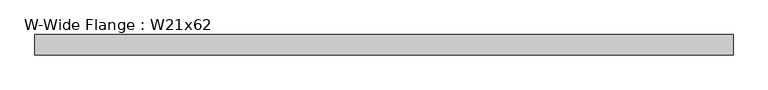
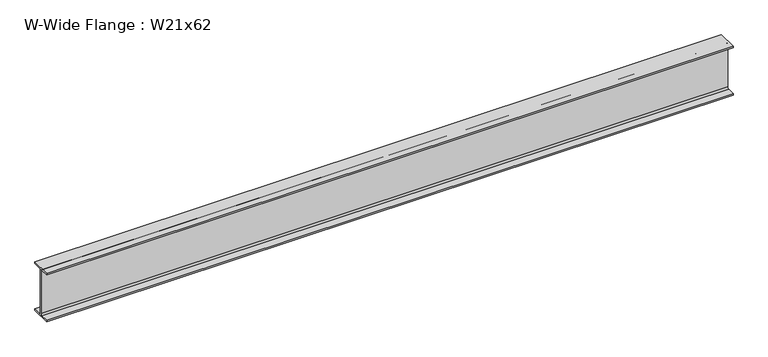
"""IFC4 building model written with IfcOpenShell, lengths in millimetres: beam geometry, W-Wide Flange : W21x62."""

from ifc_helpers import new_model, si_unit, point, frame, frame_2d, origin, place, context, project, spatial, polyline, circle_curve, trimmed, segment, composite_curve, outline, extrude, source, transform, mapped, element, save


def w_wide_flange_w21x62_ba02e120(model_context):
    return source(origin(), model_context, "Body", "SweptSolid", [
        extrude(outline(composite_curve([segment(polyline([(104.648, -251.079), (104.648, -266.7), (-104.648, -266.7), (-104.648, -251.079), (-22.7965, -251.079)]), True, "CONTINUOUS"), segment(trimmed(circle_curve(frame_2d((-22.7965, -233.3625)), 17.7165), [point((-22.7965, -251.079))], [point((-5.08, -233.3625))], True, "CARTESIAN"), True, "CONTINUOUS"), segment(polyline([(-5.08, -233.3625), (-5.08, 233.3625)]), True, "CONTINUOUS"), segment(trimmed(circle_curve(frame_2d((-22.7965, 233.3625)), 17.7165), [point((-5.08, 233.3625))], [point((-22.7965, 251.079))], True, "CARTESIAN"), True, "CONTINUOUS"), segment(polyline([(-22.7965, 251.079), (-104.648, 251.079), (-104.648, 266.7), (104.648, 266.7), (104.648, 251.079), (22.7965, 251.079)]), True, "CONTINUOUS"), segment(trimmed(circle_curve(frame_2d((22.7965, 233.3625)), 17.7165), [point((22.7965, 251.079))], [point((5.08, 233.3625))], True, "CARTESIAN"), True, "CONTINUOUS"), segment(polyline([(5.08, 233.3625), (5.08, -233.3625)]), True, "CONTINUOUS"), segment(trimmed(circle_curve(frame_2d((22.7965, -233.3625)), 17.7165), [point((5.08, -233.3625))], [point((22.7965, -251.079))], True, "CARTESIAN"), True, "CONTINUOUS"), segment(polyline([(22.7965, -251.079), (104.648, -251.079)]), True, "CONTINUOUS")], self_intersect=False)), frame((-3639.439, 0.0, 0.0), z_axis=(1.0, 0.0, 0.0), x_axis=(0.0, 1.0, 0.0)), (0.0, 0.0, 1.0), 7128.129),
    ])


if __name__ == "__main__":
    model = new_model("IFC4")
    model_context = context("Model", 3, world=origin())
    ifc_project = project(units=[si_unit("LENGTHUNIT", "METRE", prefix="MILLI")], contexts=[model_context])
    site = spatial("IfcSite", under=ifc_project)
    building = spatial("IfcBuilding", under=site)
    placement = place(None, origin())
    w_wide_flange_w21x62_shape = w_wide_flange_w21x62_ba02e120(model_context)
    element("IfcBeam", 1, ObjectType="W-Wide Flange : W21x62", at=placement, inside=building, context=model_context, shape_type="MappedRepresentation", body=[
        mapped(w_wide_flange_w21x62_shape, transform((0.0, 0.0, 0.0), x_axis=(1.0, 0.0, 0.0), y_axis=(0.0, 1.0, 0.0), z_axis=(0.0, 0.0, 1.0))),
    ])
    save(model, "model.ifc")
